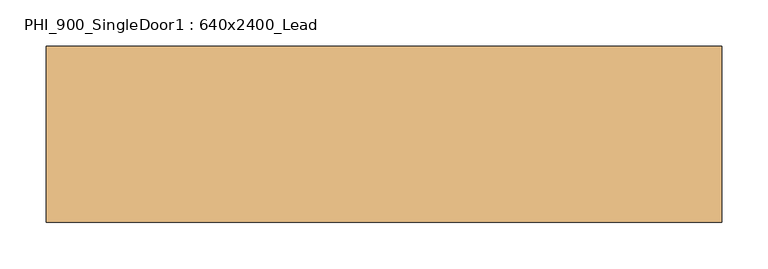
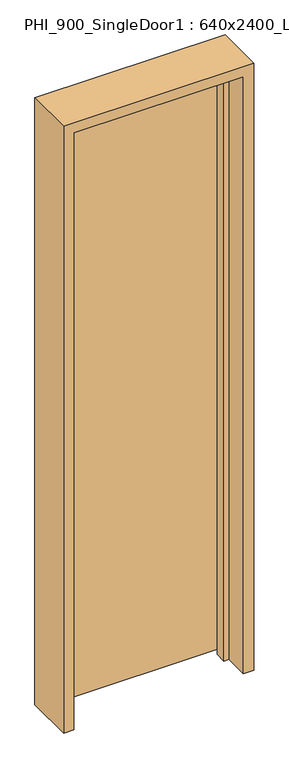
"""IFC4 building model written with IfcOpenShell, lengths in millimetres: door geometry, PHI_900_SingleDoor1 : 640x2400_Lead."""

from ifc_helpers import new_model, si_unit, frame, origin, place, context, project, spatial, polyline, outline, extrude, source, transform, mapped, element, save


def phi_900_singledoor1_640x2400_lead_f6489686(model_context):
    return source(origin(), model_context, "Body", "SweptSolid", [
        extrude(outline(polyline([(323.0, 95.0), (323.0, 45.0), (-323.0, 45.0), (-323.0, 95.0), (323.0, 95.0)])), frame((0.0, 0.0, 20.0), z_axis=(0.0, 0.0, 1.0), x_axis=(1.0, 0.0, 0.0)), (0.0, 0.0, 1.0), 2398.0),
        extrude(outline(polyline([(2460.0, -365.0), (0.0, -365.0), (0.0, -325.0), (2420.0, -325.0), (2420.0, 325.0), (0.0, 325.0), (0.0, 365.0), (2460.0, 365.0), (2460.0, -365.0)])), frame((0.0, -95.0, 0.0), z_axis=(0.0, 1.0, 0.0), x_axis=(0.0, 0.0, 1.0)), (0.0, 0.0, 1.0), 190.0),
        extrude(outline(polyline([(2420.0, -325.0), (0.0, -325.0), (0.0, -305.0), (2400.0, -305.0), (2400.0, 305.0), (0.0, 305.0), (0.0, 325.0), (2420.0, 325.0), (2420.0, -325.0)])), frame((0.0, 0.0, 0.0), z_axis=(0.0, 1.0, 0.0), x_axis=(0.0, 0.0, 1.0)), (0.0, 0.0, 1.0), 45.0),
    ])


if __name__ == "__main__":
    model = new_model("IFC4")
    model_context = context("Model", 3, world=origin())
    ifc_project = project(units=[si_unit("LENGTHUNIT", "METRE", prefix="MILLI")], contexts=[model_context])
    site = spatial("IfcSite", under=ifc_project)
    building = spatial("IfcBuilding", under=site)
    placement = place(None, origin())
    phi_900_singledoor1_640x2400_lead_shape = phi_900_singledoor1_640x2400_lead_f6489686(model_context)
    element("IfcDoor", 1, ObjectType="PHI_900_SingleDoor1 : 640x2400_Lead", at=placement, inside=building, context=model_context, shape_type="MappedRepresentation", body=[
        mapped(phi_900_singledoor1_640x2400_lead_shape, transform((0.0, 0.0, 0.0), x_axis=(1.0, 0.0, 0.0), y_axis=(0.0, 1.0, 0.0), z_axis=(0.0, 0.0, 1.0))),
    ])
    save(model, "model.ifc")
